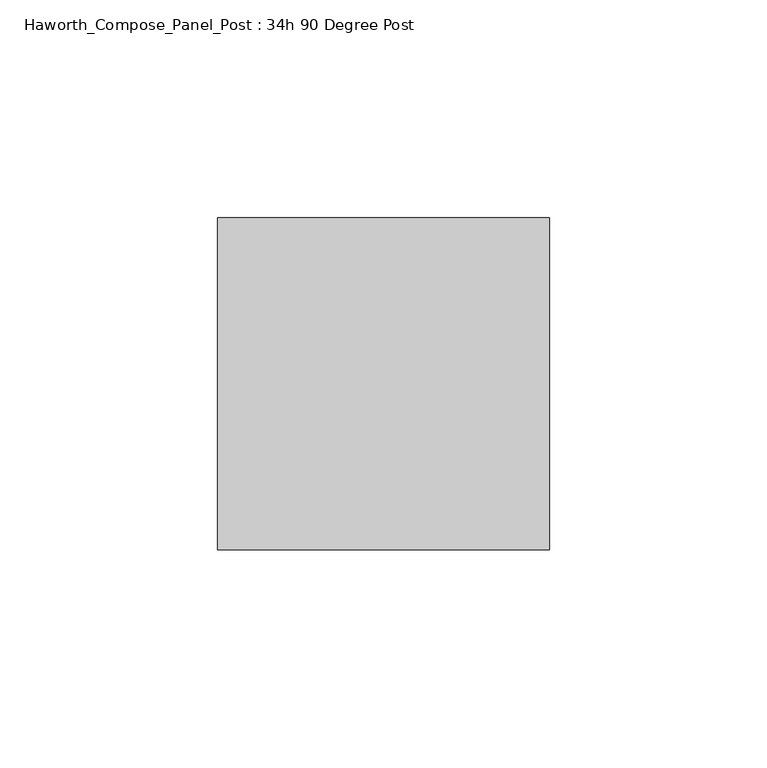
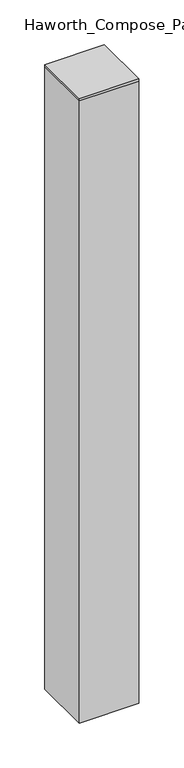
"""IFC4 building model written with IfcOpenShell, lengths in millimetres: furniture geometry, Haworth_Compose_Panel_Post : 34h 90 Degree Post."""

import ifcopenshell
import ifcopenshell.guid

model = None  # the IFC model being written
_history = None  # IfcOwnerHistory: only IFC2X3 demands one
_inside = {}  # id of a spatial element -> (the spatial element, [elements in it])
_under = {}  # id of a project, library or spatial element -> (it, [spatial elements below it])
_declared = {}  # id of a project -> (the project, [libraries it declares])
_typed = {}  # id of a type object -> (the type object, [elements of that type])
_made_of = {}  # id of a material, layer set ... -> (it, [elements and type objects made of it])


def new_model(schema):
    """Start an empty IFC model of exactly this schema.

    Asked for "IFC4X3", IfcOpenShell would pick the latest addendum, in which some entities
    have other attributes; the version numbers below select the first issue.
    IFC2X3 requires an IfcOwnerHistory on every rooted entity: one is made here for all.
    """
    global model, _history
    if schema == "IFC4X3":
        model = ifcopenshell.file(schema_version=(4, 3, 0, 0))
    else:
        model = ifcopenshell.file(schema=schema)
    _inside.clear()
    _under.clear()
    _declared.clear()
    _typed.clear()
    _made_of.clear()
    _history = None
    if model.schema == "IFC2X3":
        org = make("IfcOrganization", Name="unknown")
        user = make(
            "IfcPersonAndOrganization",
            ThePerson=make("IfcPerson", FamilyName="unknown"),
            TheOrganization=org,
        )
        app = make(
            "IfcApplication",
            ApplicationDeveloper=org,
            Version="unknown",
            ApplicationFullName="unknown",
            ApplicationIdentifier="unknown",
        )
        _history = make(
            "IfcOwnerHistory",
            OwningUser=user,
            OwningApplication=app,
            ChangeAction="ADDED",
            CreationDate=0,
        )
    return model


def make(cls, **values):
    """One entity of the class cls with the attributes given. An attribute that is None is left unset."""
    return model.create_entity(
        cls, **{name: value for name, value in values.items() if value is not None}
    )


def rooted(cls, **values):
    """An entity with a GlobalId (a new one), such as an element, a storey or a relation."""
    return make(cls, GlobalId=ifcopenshell.guid.new(), OwnerHistory=_history, **values)


def si_unit(unit_type, name, prefix=None):
    """IfcSIUnit, for example si_unit("LENGTHUNIT", "METRE", prefix="MILLI")."""
    return make("IfcSIUnit", UnitType=unit_type, Prefix=prefix, Name=name)


def assignment(units):
    """IfcUnitAssignment: the units of a project."""
    return None if units is None else make("IfcUnitAssignment", Units=units)


def point(xyz):
    """IfcCartesianPoint."""
    return None if xyz is None else make("IfcCartesianPoint", Coordinates=xyz)


def direction(xyz):
    """IfcDirection."""
    return None if xyz is None else make("IfcDirection", DirectionRatios=xyz)


def frame(location, z_axis=None, x_axis=None):
    """IfcAxis2Placement3D, a coordinate frame: its origin and axes. An axis left out is left unset."""
    return make(
        "IfcAxis2Placement3D",
        Location=point(location),
        Axis=direction(z_axis),
        RefDirection=direction(x_axis),
    )


def origin():
    """The frame at (0, 0, 0) with its axes left unset."""
    return frame((0.0, 0.0, 0.0))


def place(relative_to, where):
    """IfcLocalPlacement: puts the frame where relative to a parent placement (None: the world)."""
    return make(
        "IfcLocalPlacement", PlacementRelTo=relative_to, RelativePlacement=where
    )


def context(
    kind, dimensions, precision=None, world=None, true_north=None, identifier=None
):
    """IfcGeometricRepresentationContext, for example the 3D "Model" context."""
    return make(
        "IfcGeometricRepresentationContext",
        ContextIdentifier=identifier,
        ContextType=kind,
        CoordinateSpaceDimension=dimensions,
        Precision=precision,
        WorldCoordinateSystem=world,
        TrueNorth=true_north,
    )


def project(units=None, contexts=None):
    """IfcProject with its units and contexts."""
    return rooted(
        "IfcProject",
        Name="project",
        RepresentationContexts=contexts,
        UnitsInContext=assignment(units),
    )


def spatial(cls, under=None, at=None, **own):
    """A site, building, storey or space (cls), placed at a placement, below another one or the project."""
    s = rooted(cls, ObjectPlacement=at, **own)
    if under is not None:
        _under.setdefault(under.id(), (under, []))[1].append(s)
    return s


def polyline(points):
    """IfcPolyline through the points."""
    return make("IfcPolyline", Points=[point(p) for p in points])


def outline(outer, holes=None, kind="AREA"):
    """IfcArbitraryClosedProfileDef: a profile drawn as a closed curve; with holes, ...WithVoids."""
    if holes is None:
        return make("IfcArbitraryClosedProfileDef", ProfileType=kind, OuterCurve=outer)
    return make(
        "IfcArbitraryProfileDefWithVoids",
        ProfileType=kind,
        OuterCurve=outer,
        InnerCurves=holes,
    )


def extrude(swept, where, along, depth):
    """IfcExtrudedAreaSolid: the profile swept, set in the frame where, extruded along a direction by depth."""
    return make(
        "IfcExtrudedAreaSolid",
        SweptArea=swept,
        Position=where,
        ExtrudedDirection=direction(along),
        Depth=depth,
    )


def shape(context_of_items, identifier, shape_type, items):
    """IfcShapeRepresentation: the items that make up one representation, for example the "Body"."""
    return make(
        "IfcShapeRepresentation",
        ContextOfItems=context_of_items,
        RepresentationIdentifier=identifier,
        RepresentationType=shape_type,
        Items=items,
    )


def source(mapping_origin, context_of_items, identifier, shape_type, items):
    """IfcRepresentationMap: a shape defined once, which mapped items show again and again."""
    return make(
        "IfcRepresentationMap",
        MappingOrigin=mapping_origin,
        MappedRepresentation=shape(context_of_items, identifier, shape_type, items),
    )


def transform(
    local_origin,
    x_axis=None,
    y_axis=None,
    z_axis=None,
    scale=None,
    scale2=None,
    scale3=None,
    uniform=True,
):
    """IfcCartesianTransformationOperator3D, or its non-uniform kind. x_axis, y_axis, z_axis: its Axis1, 2, 3."""
    if uniform:
        return make(
            "IfcCartesianTransformationOperator3D",
            Axis1=direction(x_axis),
            Axis2=direction(y_axis),
            LocalOrigin=point(local_origin),
            Scale=scale,
            Axis3=direction(z_axis),
        )
    return make(
        "IfcCartesianTransformationOperator3DnonUniform",
        Axis1=direction(x_axis),
        Axis2=direction(y_axis),
        LocalOrigin=point(local_origin),
        Scale=scale,
        Axis3=direction(z_axis),
        Scale2=scale2,
        Scale3=scale3,
    )


def mapped(mapping_source, mapping_target):
    """IfcMappedItem: shows the shape of a source again, moved by a transform."""
    return make(
        "IfcMappedItem", MappingSource=mapping_source, MappingTarget=mapping_target
    )


def made_of(thing, what):
    """Note that an element or type object is made of a material, layer set ...; save() writes the relation."""
    if what is not None:
        _made_of.setdefault(what.id(), (what, []))[1].append(thing)
    return thing


def element(
    cls,
    number,
    at=None,
    inside=None,
    cuts=None,
    type_object=None,
    material=None,
    context=None,
    identifier="Body",
    shape_type=None,
    held_by="IfcProductDefinitionShape",
    body=None,
    shapes=None,
    **own,
):
    """One element of the class cls, such as IfcWall. Its Tag is "e" and its number.

    at: its placement. inside: the storey or other place that contains it. cuts: it is an
    opening in that element (IfcRelVoidsElement). A single representation is given by context,
    identifier, shape_type and body (its items); several are given by shapes. held_by: the class
    of the entity that holds the representations. save() writes the other relations.
    """
    e = rooted(cls, Tag="e%d" % number, ObjectPlacement=at, **own)
    if body is not None:
        shapes = [shape(context, identifier, shape_type, body)]
    if shapes is not None:
        e.Representation = make(held_by, Representations=shapes)
    if inside is not None:
        _inside.setdefault(inside.id(), (inside, []))[1].append(e)
    if cuts is not None:
        rooted(
            "IfcRelVoidsElement", RelatingBuildingElement=cuts, RelatedOpeningElement=e
        )
    if type_object is not None:
        _typed.setdefault(type_object.id(), (type_object, []))[1].append(e)
    return made_of(e, material)


def aggregate(whole, parts):
    """IfcRelAggregates: a whole, such as a stair, and the parts it consists of."""
    return rooted("IfcRelAggregates", RelatingObject=whole, RelatedObjects=parts)


def save(model, path):
    """Write the relations noted so far, then the file.

    IfcRelAggregates (storeys below a building ...), IfcRelContainedInSpatialStructure (elements
    in a storey), IfcRelDefinesByType, IfcRelAssociatesMaterial and IfcRelDeclares: one each for
    every whole, place, type object, material and project.
    """
    for whole, parts in _under.values():
        aggregate(whole, parts)
    for where, things in _inside.values():
        rooted(
            "IfcRelContainedInSpatialStructure",
            RelatedElements=things,
            RelatingStructure=where,
        )
    for kind, things in _typed.values():
        rooted("IfcRelDefinesByType", RelatedObjects=things, RelatingType=kind)
    for what, things in _made_of.values():
        rooted("IfcRelAssociatesMaterial", RelatedObjects=things, RelatingMaterial=what)
    for by, libraries in _declared.values():
        rooted("IfcRelDeclares", RelatingContext=by, RelatedDefinitions=libraries)
    model.write(path)


def haworth_compose_panel_post_34h_90_degree_post_281ea500(model_context):
    return source(origin(), model_context, "Body", "SweptSolid", [
        extrude(outline(polyline([(0.0, -38.1), (0.0, 38.1), (76.2, 38.1), (76.2, -38.1), (0.0, -38.1)])), frame((0.0, 0.0, 857.25), z_axis=(0.0, 0.0, 1.0), x_axis=(1.0, 0.0, 0.0)), (0.0, 0.0, 1.0), 3.175),
        extrude(outline(polyline([(76.2, -38.1), (0.0, -38.1), (0.0, 38.1), (76.2, 38.1), (76.2, -38.1)])), frame((0.0, 0.0, 12.7), z_axis=(0.0, 0.0, 1.0), x_axis=(1.0, 0.0, 0.0)), (0.0, 0.0, 1.0), 844.55),
    ])


if __name__ == "__main__":
    model = new_model("IFC4")
    model_context = context("Model", 3, world=origin())
    ifc_project = project(units=[si_unit("LENGTHUNIT", "METRE", prefix="MILLI")], contexts=[model_context])
    site = spatial("IfcSite", under=ifc_project)
    building = spatial("IfcBuilding", under=site)
    placement = place(None, origin())
    haworth_compose_panel_post_34h_90_degree_post_shape = haworth_compose_panel_post_34h_90_degree_post_281ea500(model_context)
    element("IfcFurniture", 1, ObjectType="Haworth_Compose_Panel_Post : 34h 90 Degree Post", at=placement, inside=building, context=model_context, shape_type="MappedRepresentation", body=[
        mapped(haworth_compose_panel_post_34h_90_degree_post_shape, transform((0.0, 0.0, 0.0), x_axis=(1.0, 0.0, 0.0), y_axis=(0.0, 1.0, 0.0), z_axis=(0.0, 0.0, 1.0))),
    ])
    save(model, "model.ifc")
